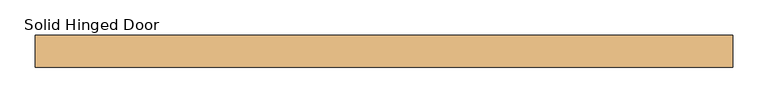
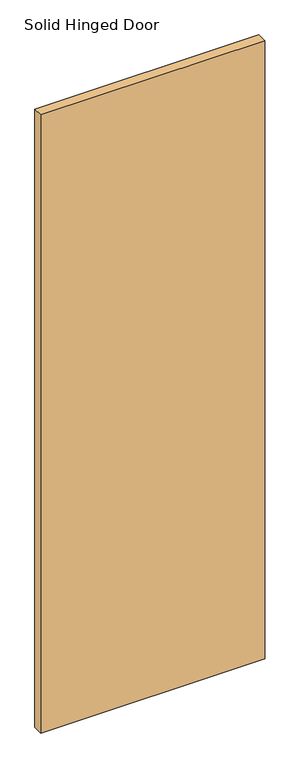
"""IFC4 building model written with IfcOpenShell, lengths in millimetres: door geometry, Solid Hinged Door."""

from ifc_helpers import new_model, si_unit, frame, origin, place, context, project, spatial, polyline, outline, extrude, source, transform, mapped, element, save


def solid_hinged_door_c283f20f(model_context):
    return source(origin(), model_context, "Body", "SweptSolid", [
        extrude(outline(polyline([(490.9483606, -22.225), (-490.9483606, -22.225), (-490.9483606, 22.225), (490.9483606, 22.225), (490.9483606, -22.225)])), frame((0.0, 0.0, 12.7), z_axis=(0.0, 0.0, 1.0), x_axis=(1.0, 0.0, 0.0)), (0.0, 0.0, 1.0), 2866.7037999),
        extrude(outline(polyline([(465.5483606, 9.0035062), (-465.5483606, 9.0035062), (-465.5483606, 10.6037062), (465.5483606, 10.6037062), (465.5483606, 9.0035062)])), frame((0.0, 0.0, 12.7), z_axis=(0.0, 0.0, 1.0), x_axis=(1.0, 0.0, 0.0)), (0.0, 0.0, 1.0), 254.0),
        extrude(outline(polyline([(465.5483606, 20.6248), (-465.5483606, 20.6248), (-465.5483606, 22.225), (465.5483606, 22.225), (465.5483606, 20.6248)])), frame((0.0, 0.0, 12.7), z_axis=(0.0, 0.0, 1.0), x_axis=(1.0, 0.0, 0.0)), (0.0, 0.0, 1.0), 254.0),
    ])


if __name__ == "__main__":
    model = new_model("IFC4")
    model_context = context("Model", 3, world=origin())
    ifc_project = project(units=[si_unit("LENGTHUNIT", "METRE", prefix="MILLI")], contexts=[model_context])
    site = spatial("IfcSite", under=ifc_project)
    building = spatial("IfcBuilding", under=site)
    placement = place(None, origin())
    solid_hinged_door_shape = solid_hinged_door_c283f20f(model_context)
    element("IfcDoor", 1, ObjectType="Solid Hinged Door", at=placement, inside=building, context=model_context, shape_type="MappedRepresentation", body=[
        mapped(solid_hinged_door_shape, transform((0.0, 0.0, 0.0), x_axis=(1.0, 0.0, 0.0), y_axis=(0.0, 1.0, 0.0), z_axis=(0.0, 0.0, 1.0))),
    ])
    save(model, "model.ifc")
